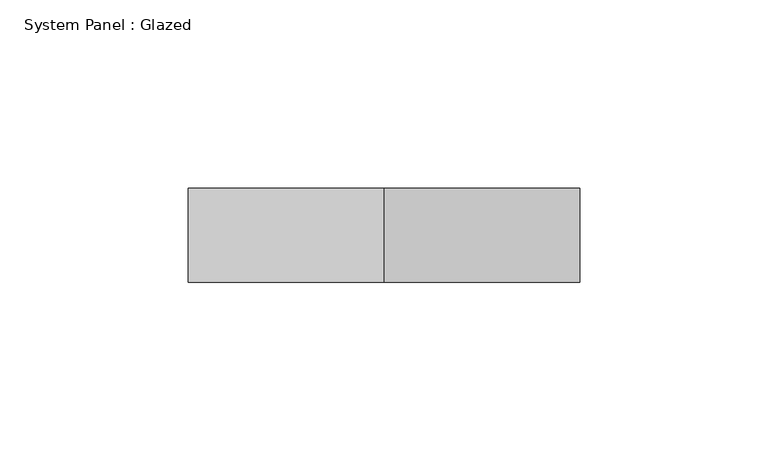
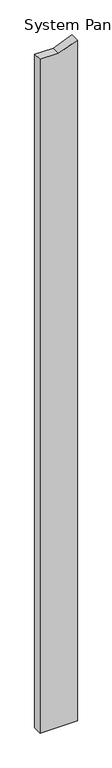
"""IFC4 building model written with IfcOpenShell, lengths in millimetres: plate geometry, System Panel : Glazed."""

from ifc_helpers import new_model, si_unit, frame, origin, place, context, project, spatial, polyline, outline, extrude, source, transform, mapped, element, save


def system_panel_glazed_e6873649(model_context):
    return source(origin(), model_context, "Body", "SweptSolid", [
        extrude(outline(polyline([(0.0, -52.0), (0.0, 52.0), (2000.7118643, 52.0), (1980.0, 2e-07), (1980.0, -52.0), (0.0, -52.0)])), frame((0.0, 24.5, 0.0), z_axis=(0.0, 1.0, 0.0), x_axis=(0.0, 0.0, 1.0)), (0.0, 0.0, 1.0), 25.0),
    ])


if __name__ == "__main__":
    model = new_model("IFC4")
    model_context = context("Model", 3, world=origin())
    ifc_project = project(units=[si_unit("LENGTHUNIT", "METRE", prefix="MILLI")], contexts=[model_context])
    site = spatial("IfcSite", under=ifc_project)
    building = spatial("IfcBuilding", under=site)
    placement = place(None, origin())
    system_panel_glazed_shape = system_panel_glazed_e6873649(model_context)
    element("IfcPlate", 1, ObjectType="System Panel : Glazed", at=placement, inside=building, context=model_context, shape_type="MappedRepresentation", body=[
        mapped(system_panel_glazed_shape, transform((0.0, 0.0, 0.0), x_axis=(1.0, 0.0, 0.0), y_axis=(0.0, 1.0, 0.0), z_axis=(0.0, 0.0, 1.0))),
    ])
    save(model, "model.ifc")
